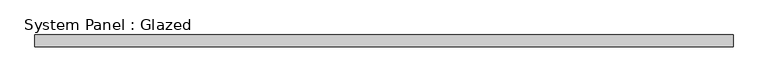
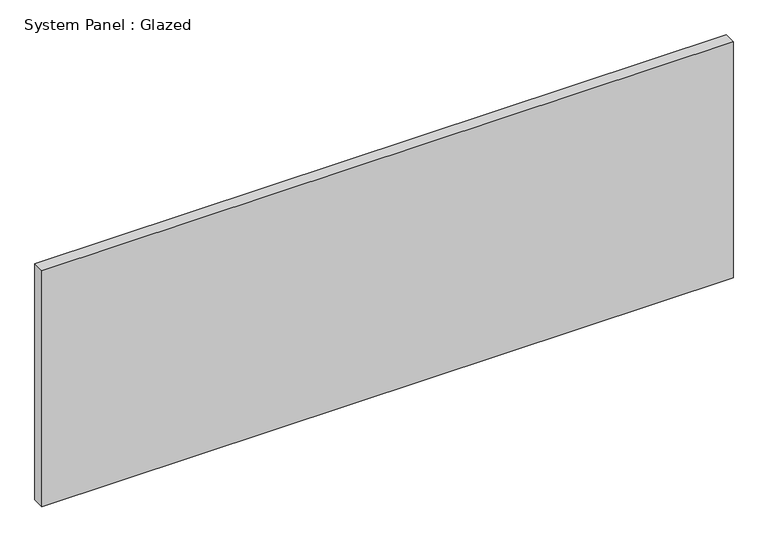
"""IFC4 building model written with IfcOpenShell, lengths in millimetres: plate geometry, System Panel : Glazed."""

from ifc_helpers import new_model, si_unit, origin, origin_with_axes, place, context, project, spatial, polyline, outline, extrude, source, transform, mapped, element, save


def system_panel_glazed_a34e629e(model_context):
    return source(origin(), model_context, "Body", "SweptSolid", [
        extrude(outline(polyline([(727.502393, 24.5), (-727.502393, 24.5), (-727.502393, 49.5), (727.502393, 49.5), (727.502393, 24.5)])), origin_with_axes(), (0.0, 0.0, 1.0), 525.0),
    ])


if __name__ == "__main__":
    model = new_model("IFC4")
    model_context = context("Model", 3, world=origin())
    ifc_project = project(units=[si_unit("LENGTHUNIT", "METRE", prefix="MILLI")], contexts=[model_context])
    site = spatial("IfcSite", under=ifc_project)
    building = spatial("IfcBuilding", under=site)
    placement = place(None, origin())
    system_panel_glazed_shape = system_panel_glazed_a34e629e(model_context)
    element("IfcPlate", 1, ObjectType="System Panel : Glazed", at=placement, inside=building, context=model_context, shape_type="MappedRepresentation", body=[
        mapped(system_panel_glazed_shape, transform((0.0, 0.0, 0.0), x_axis=(1.0, 0.0, 0.0), y_axis=(0.0, 1.0, 0.0), z_axis=(0.0, 0.0, 1.0))),
    ])
    save(model, "model.ifc")
